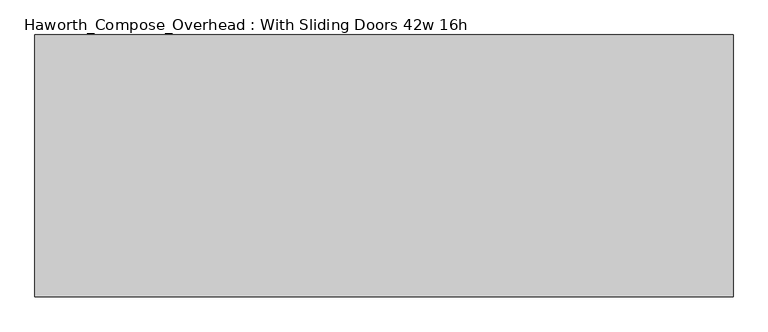
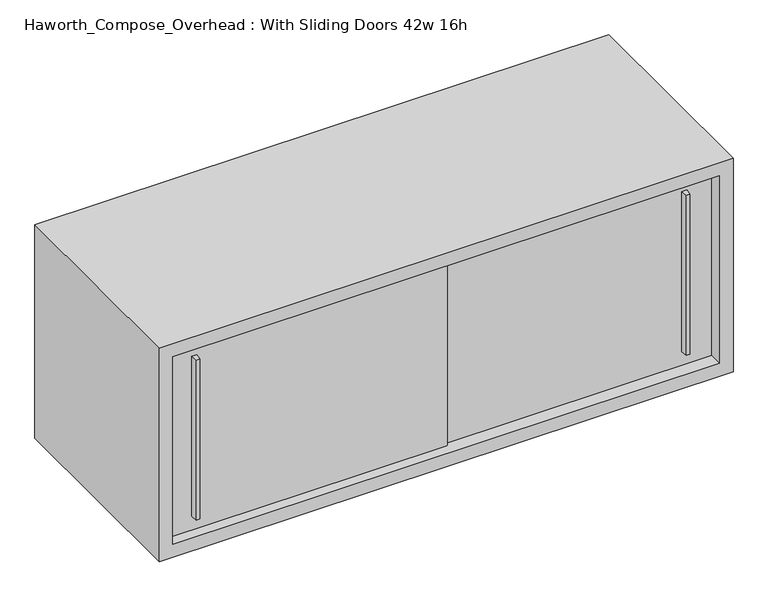
"""IFC4 building model written with IfcOpenShell, lengths in millimetres: furniture geometry, Haworth_Compose_Overhead : With Sliding Doors 42w 16h."""

from ifc_helpers import new_model, si_unit, frame, origin, place, context, project, spatial, polyline, outline, extrude, source, transform, mapped, element, save


def haworth_compose_overhead_with_sliding_doors_42w_16h_5be28521(model_context):
    return source(origin(), model_context, "Body", "SweptSolid", [
        extrude(outline(polyline([(625.4750004, -387.3499879), (619.1249996, -387.3499879), (617.5375011, -374.65), (627.0624989, -374.65), (625.4750004, -387.3499879)])), frame((0.0, 0.0, 1322.3875), z_axis=(0.0, 0.0, 1.0), x_axis=(1.0, 0.0, 0.0)), (0.0, 0.0, 1.0), 314.325),
        extrude(outline(polyline([(-288.9249996, -393.6999879), (-295.2750004, -393.6999879), (-296.8624989, -381.0), (-287.3375011, -381.0), (-288.9249996, -393.6999879)])), frame((0.0, 0.0, 1322.3875), z_axis=(0.0, 0.0, 1.0), x_axis=(1.0, 0.0, 0.0)), (0.0, 0.0, 1.0), 314.325),
        extrude(outline(polyline([(-342.9, -374.65), (177.8, -374.65), (177.8, -381.0), (-342.9, -381.0), (-342.9, -374.65)])), frame((0.0, 0.0, 1295.4), z_axis=(0.0, 0.0, 1.0), x_axis=(1.0, 0.0, 0.0)), (0.0, 0.0, 1.0), 368.3),
        extrude(outline(polyline([(152.4, -368.3), (673.1, -368.3), (673.1, -374.65), (152.4, -374.65), (152.4, -368.3)])), frame((0.0, 0.0, 1295.4), z_axis=(0.0, 0.0, 1.0), x_axis=(1.0, 0.0, 0.0)), (0.0, 0.0, 1.0), 368.3),
        extrude(outline(polyline([(673.1, -6.35), (-342.9, -6.35), (-342.9, 0.0), (673.1, 0.0), (673.1, -6.35)])), frame((0.0, 0.0, 1295.4), z_axis=(0.0, 0.0, 1.0), x_axis=(1.0, 0.0, 0.0)), (0.0, 0.0, 1.0), 368.3),
        extrude(outline(polyline([(1270.0, 698.5), (1689.1, 698.5), (1689.1, -368.3), (1270.0, -368.3), (1270.0, 698.5)]), holes=[polyline([(1663.7, 673.1), (1295.4, 673.1), (1295.4, -342.9), (1663.7, -342.9), (1663.7, 673.1)])]), frame((0.0, -400.05, 0.0), z_axis=(0.0, 1.0, 0.0), x_axis=(0.0, 0.0, 1.0)), (0.0, 0.0, 1.0), 400.05),
    ])


if __name__ == "__main__":
    model = new_model("IFC4")
    model_context = context("Model", 3, world=origin())
    ifc_project = project(units=[si_unit("LENGTHUNIT", "METRE", prefix="MILLI")], contexts=[model_context])
    site = spatial("IfcSite", under=ifc_project)
    building = spatial("IfcBuilding", under=site)
    placement = place(None, origin())
    haworth_compose_overhead_with_sliding_doors_42w_16h_shape = haworth_compose_overhead_with_sliding_doors_42w_16h_5be28521(model_context)
    element("IfcFurniture", 1, ObjectType="Haworth_Compose_Overhead : With Sliding Doors 42w 16h", at=placement, inside=building, context=model_context, shape_type="MappedRepresentation", body=[
        mapped(haworth_compose_overhead_with_sliding_doors_42w_16h_shape, transform((0.0, 0.0, 0.0), x_axis=(1.0, 0.0, 0.0), y_axis=(0.0, 1.0, 0.0), z_axis=(0.0, 0.0, 1.0))),
    ])
    save(model, "model.ifc")
